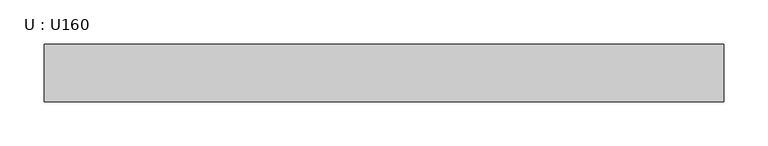
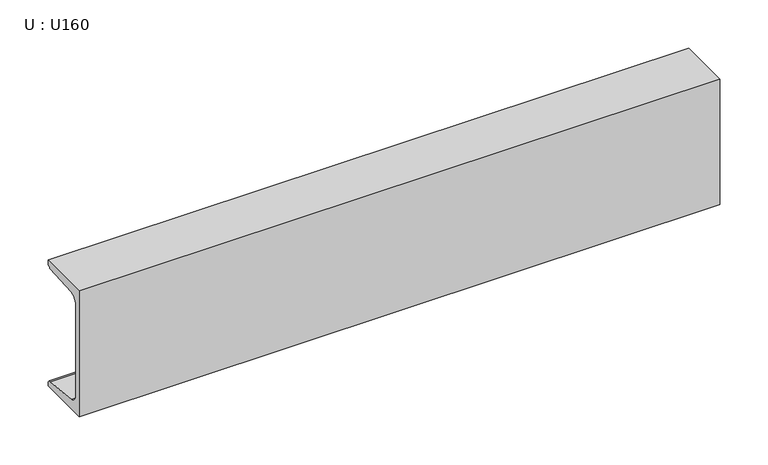
"""IFC4 building model written with IfcOpenShell, lengths in millimetres: beam geometry, U : U160."""

from ifc_helpers import new_model, si_unit, point, frame, frame_2d, origin, place, context, project, spatial, polyline, circle_curve, trimmed, segment, composite_curve, outline, extrude, source, transform, mapped, element, save


def u_u160_b8ba2cbd(model_context):
    return source(origin(), model_context, "Body", "SweptSolid", [
        extrude(outline(composite_curve([segment(polyline([(-18.4, 80.0), (46.6, 80.0), (46.6, 77.1756821)]), True, "CONTINUOUS"), segment(trimmed(circle_curve(frame_2d((41.1, 77.1756821)), 5.5), [point((46.6, 77.1756821))], [point((41.5382235, 71.693168))], False, "CARTESIAN"), True, "CONTINUOUS"), segment(polyline([(41.5382235, 71.693168), (-1.2366085, 68.2741277)]), True, "CONTINUOUS"), segment(trimmed(circle_curve(frame_2d((-0.4, 57.8075099)), 10.5), [point((-1.2366085, 68.2741277))], [point((-10.9, 57.8075099))], True, "CARTESIAN"), True, "CONTINUOUS"), segment(polyline([(-10.9, 57.8075099), (-10.9, -57.8075099)]), True, "CONTINUOUS"), segment(trimmed(circle_curve(frame_2d((-0.4, -57.8075099)), 10.5), [point((-10.9, -57.8075099))], [point((-1.2366085, -68.2741277))], True, "CARTESIAN"), True, "CONTINUOUS"), segment(polyline([(-1.2366085, -68.2741277), (41.5382235, -71.693168)]), True, "CONTINUOUS"), segment(trimmed(circle_curve(frame_2d((41.1, -77.1756821)), 5.5), [point((41.5382235, -71.693168))], [point((46.6, -77.1756821))], False, "CARTESIAN"), True, "CONTINUOUS"), segment(polyline([(46.6, -77.1756821), (46.6, -80.0), (-18.4, -80.0), (-18.4, 80.0)]), True, "CONTINUOUS")], self_intersect=False)), frame((-436.0990713, 0.0, 0.0), z_axis=(1.0, 0.0, 0.0), x_axis=(0.0, 1.0, 0.0)), (0.0, 0.0, 1.0), 769.9995313),
    ])


if __name__ == "__main__":
    model = new_model("IFC4")
    model_context = context("Model", 3, world=origin())
    ifc_project = project(units=[si_unit("LENGTHUNIT", "METRE", prefix="MILLI")], contexts=[model_context])
    site = spatial("IfcSite", under=ifc_project)
    building = spatial("IfcBuilding", under=site)
    placement = place(None, origin())
    u_u160_shape = u_u160_b8ba2cbd(model_context)
    element("IfcBeam", 1, ObjectType="U : U160", at=placement, inside=building, context=model_context, shape_type="MappedRepresentation", body=[
        mapped(u_u160_shape, transform((0.0, 0.0, 0.0), x_axis=(1.0, 0.0, 0.0), y_axis=(0.0, 1.0, 0.0), z_axis=(0.0, 0.0, 1.0))),
    ])
    save(model, "model.ifc")
